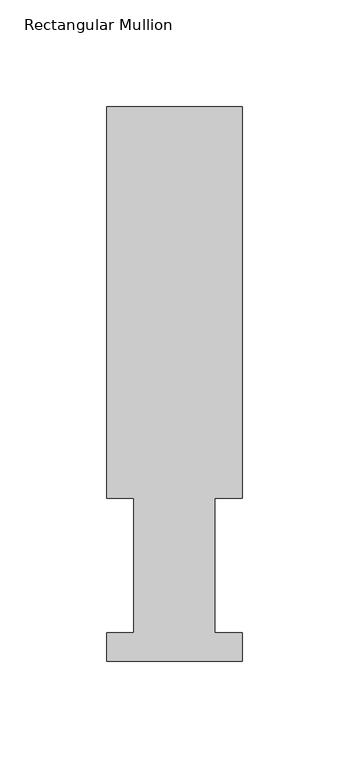
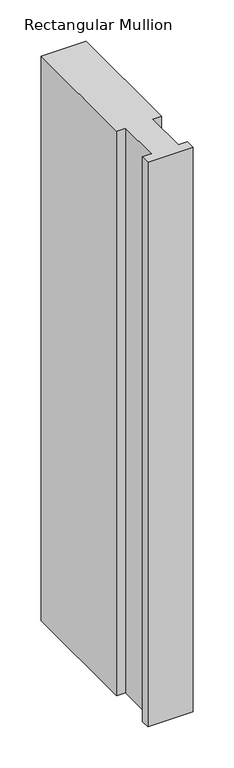
"""IFC4 building model written with IfcOpenShell, lengths in millimetres: member geometry, Rectangular Mullion."""

from ifc_helpers import new_model, si_unit, frame, origin, place, context, project, spatial, polyline, outline, extrude, source, transform, mapped, element, save


def rectangular_mullion_b21897d7(model_context):
    return source(origin(), model_context, "Body", "SweptSolid", [
        extrude(outline(polyline([(31.75, 76.2992188), (19.05, 76.2992188), (19.05, 13.1492189), (31.75, 13.1492189), (31.75, -0.0333811), (-31.75, -0.0333811), (-31.75, 13.1492189), (-19.05, 13.1492189), (-19.05, 76.2992188), (-31.75, 76.2992188), (-31.75, 259.9671074), (31.75, 259.9671074), (31.75, 76.2992188)])), frame((0.0, 0.0, -838.2), z_axis=(0.0, 0.0, 1.0), x_axis=(1.0, 0.0, 0.0)), (0.0, 0.0, 1.0), 838.2),
    ])


if __name__ == "__main__":
    model = new_model("IFC4")
    model_context = context("Model", 3, world=origin())
    ifc_project = project(units=[si_unit("LENGTHUNIT", "METRE", prefix="MILLI")], contexts=[model_context])
    site = spatial("IfcSite", under=ifc_project)
    building = spatial("IfcBuilding", under=site)
    placement = place(None, origin())
    rectangular_mullion_shape = rectangular_mullion_b21897d7(model_context)
    element("IfcMember", 1, ObjectType="Rectangular Mullion", at=placement, inside=building, context=model_context, shape_type="MappedRepresentation", body=[
        mapped(rectangular_mullion_shape, transform((0.0, 0.0, 0.0), x_axis=(1.0, 0.0, 0.0), y_axis=(0.0, 1.0, 0.0), z_axis=(0.0, 0.0, 1.0))),
    ])
    save(model, "model.ifc")
